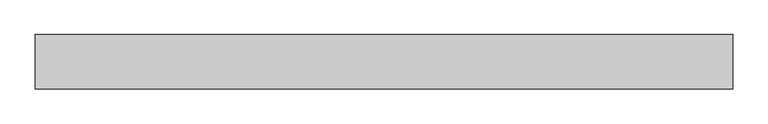
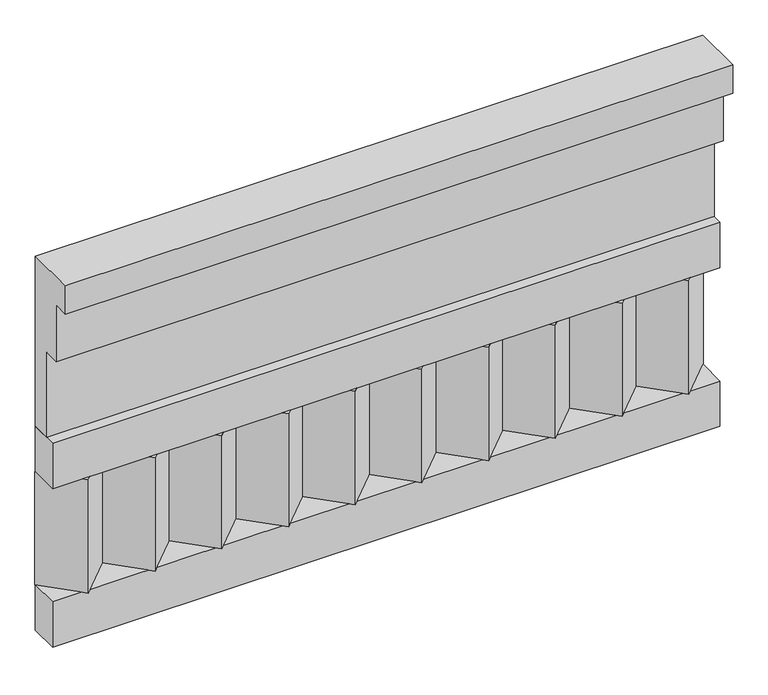
"""IFC4 building model written with IfcOpenShell, lengths in millimetres: railing geometry."""

from ifc_helpers import new_model, si_unit, frame, origin, place, context, project, spatial, polyline, outline, extrude, source, transform, mapped, element, save


def railing_65e47250(model_context):
    return source(origin(), model_context, "Body", "SweptSolid", [
        extrude(outline(polyline([(-16816.8920513, 25100.0), (-16816.8920513, 24650.0), (-16866.8920513, 24650.0), (-16866.8920513, 24875.0), (-16906.8920513, 24875.0), (-16906.8920513, 25025.0), (-16946.8920513, 25025.0), (-16946.8920513, 25100.0), (-16816.8920513, 25100.0)])), frame((39990.0112841, 0.0, 0.0), z_axis=(1.0, 0.0, 0.0), x_axis=(0.0, 1.0, 0.0)), (0.0, 0.0, 1.0), 1670.0),
        extrude(outline(polyline([(39990.0112841, -16891.8920513), (39990.0112841, -16816.8920513), (41660.0112841, -16816.8920513), (41660.0112841, -16891.8920513), (39990.0112841, -16891.8920513)])), frame((0.0, 0.0, 24530.0), z_axis=(0.0, 0.0, 1.0), x_axis=(1.0, 0.0, 0.0)), (0.0, 0.0, 1.0), 120.0),
        extrude(outline(polyline([(39990.0112841, -16891.8920513), (39990.0112841, -16816.8920513), (41660.0112841, -16816.8920513), (41660.0112841, -16891.8920513), (39990.0112841, -16891.8920513)])), frame((0.0, 0.0, 24110.0), z_axis=(0.0, 0.0, 1.0), x_axis=(1.0, 0.0, 0.0)), (0.0, 0.0, 1.0), 120.0),
        extrude(outline(polyline([(41576.5112841, -16901.7448651), (41491.6584704, -16816.8920513), (41661.3640978, -16816.8920513), (41576.5112841, -16901.7448651)])), frame((0.0, 0.0, 24230.0), z_axis=(0.0, 0.0, 1.0), x_axis=(1.0, 0.0, 0.0)), (0.0, 0.0, 1.0), 300.0),
        extrude(outline(polyline([(41409.5112841, -16901.7448651), (41324.6584704, -16816.8920513), (41494.3640978, -16816.8920513), (41409.5112841, -16901.7448651)])), frame((0.0, 0.0, 24230.0), z_axis=(0.0, 0.0, 1.0), x_axis=(1.0, 0.0, 0.0)), (0.0, 0.0, 1.0), 300.0),
        extrude(outline(polyline([(41242.5112841, -16901.7448651), (41157.6584704, -16816.8920513), (41327.3640978, -16816.8920513), (41242.5112841, -16901.7448651)])), frame((0.0, 0.0, 24230.0), z_axis=(0.0, 0.0, 1.0), x_axis=(1.0, 0.0, 0.0)), (0.0, 0.0, 1.0), 300.0),
        extrude(outline(polyline([(41075.5112841, -16901.7448651), (40990.6584704, -16816.8920513), (41160.3640978, -16816.8920513), (41075.5112841, -16901.7448651)])), frame((0.0, 0.0, 24230.0), z_axis=(0.0, 0.0, 1.0), x_axis=(1.0, 0.0, 0.0)), (0.0, 0.0, 1.0), 300.0),
        extrude(outline(polyline([(40908.5112841, -16901.7448651), (40823.6584704, -16816.8920513), (40993.3640978, -16816.8920513), (40908.5112841, -16901.7448651)])), frame((0.0, 0.0, 24230.0), z_axis=(0.0, 0.0, 1.0), x_axis=(1.0, 0.0, 0.0)), (0.0, 0.0, 1.0), 300.0),
        extrude(outline(polyline([(40741.5112841, -16901.7448651), (40656.6584704, -16816.8920513), (40826.3640978, -16816.8920513), (40741.5112841, -16901.7448651)])), frame((0.0, 0.0, 24230.0), z_axis=(0.0, 0.0, 1.0), x_axis=(1.0, 0.0, 0.0)), (0.0, 0.0, 1.0), 300.0),
        extrude(outline(polyline([(40574.5112841, -16901.7448651), (40489.6584704, -16816.8920513), (40659.3640978, -16816.8920513), (40574.5112841, -16901.7448651)])), frame((0.0, 0.0, 24230.0), z_axis=(0.0, 0.0, 1.0), x_axis=(1.0, 0.0, 0.0)), (0.0, 0.0, 1.0), 300.0),
        extrude(outline(polyline([(40407.5112841, -16901.7448651), (40322.6584704, -16816.8920513), (40492.3640978, -16816.8920513), (40407.5112841, -16901.7448651)])), frame((0.0, 0.0, 24230.0), z_axis=(0.0, 0.0, 1.0), x_axis=(1.0, 0.0, 0.0)), (0.0, 0.0, 1.0), 300.0),
        extrude(outline(polyline([(40240.5112841, -16901.7448651), (40155.6584704, -16816.8920513), (40325.3640978, -16816.8920513), (40240.5112841, -16901.7448651)])), frame((0.0, 0.0, 24230.0), z_axis=(0.0, 0.0, 1.0), x_axis=(1.0, 0.0, 0.0)), (0.0, 0.0, 1.0), 300.0),
        extrude(outline(polyline([(40073.5112841, -16901.7448651), (39988.6584704, -16816.8920513), (40158.3640978, -16816.8920513), (40073.5112841, -16901.7448651)])), frame((0.0, 0.0, 24230.0), z_axis=(0.0, 0.0, 1.0), x_axis=(1.0, 0.0, 0.0)), (0.0, 0.0, 1.0), 300.0),
    ])


if __name__ == "__main__":
    model = new_model("IFC4")
    model_context = context("Model", 3, world=origin())
    ifc_project = project(units=[si_unit("LENGTHUNIT", "METRE", prefix="MILLI")], contexts=[model_context])
    site = spatial("IfcSite", under=ifc_project)
    building = spatial("IfcBuilding", under=site)
    placement = place(None, origin())
    railing_shape = railing_65e47250(model_context)
    element("IfcRailing", 1, at=placement, inside=building, context=model_context, shape_type="MappedRepresentation", body=[
        mapped(railing_shape, transform((0.0, 0.0, 0.0), x_axis=(1.0, 0.0, 0.0), y_axis=(0.0, 1.0, 0.0), z_axis=(0.0, 0.0, 1.0))),
    ])
    save(model, "model.ifc")
